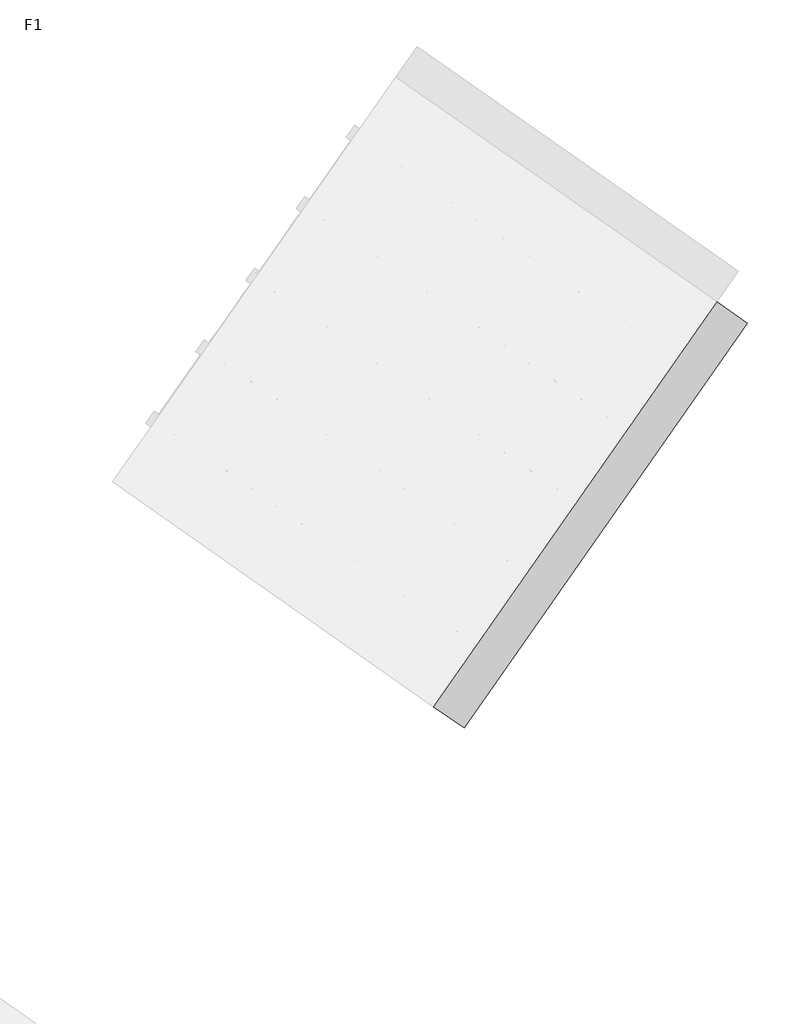
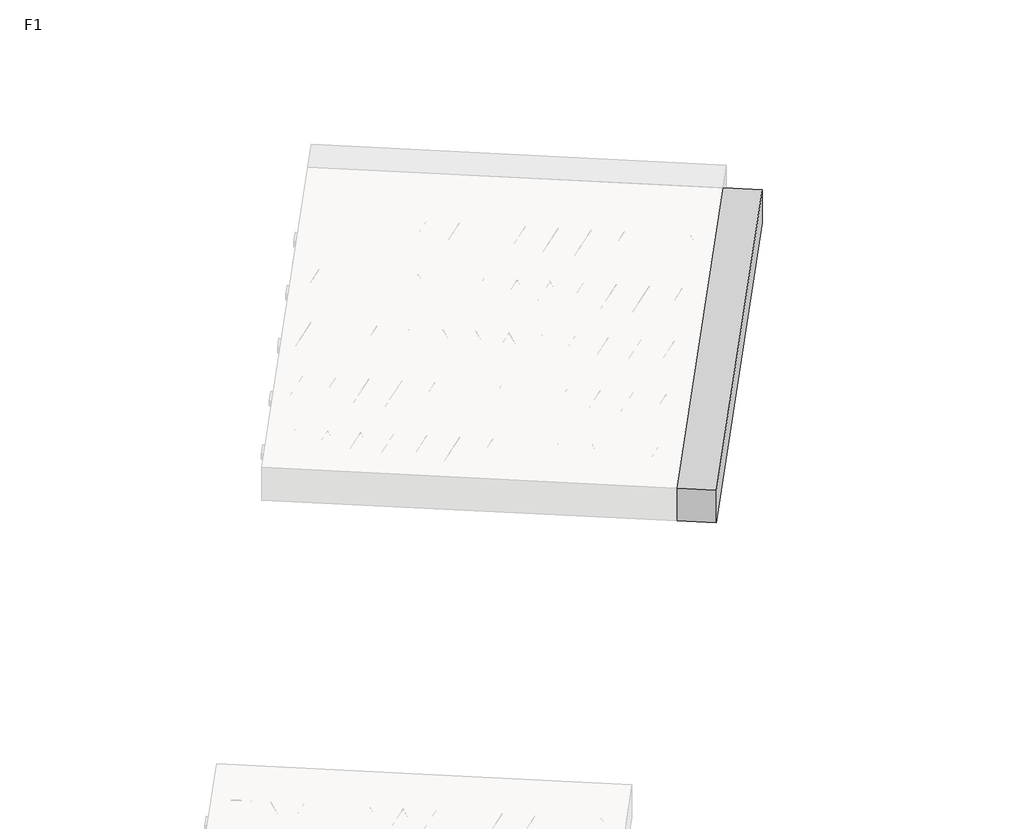
# One storey, part 26 of 30: 2 beams.
"""IFC4 building model written with IfcOpenShell, lengths in millimetres."""

from ifc_helpers import new_model, si_unit, point, frame, origin, origin_2d, place, context, project, spatial, polyline, circle_curve, trimmed, segment, composite_curve, outline, extrude, element, save

model = new_model("IFC4")

# Units and contexts
model_context = context("Model", 3, world=origin())
ifc_project = project(units=[si_unit("LENGTHUNIT", "METRE", prefix="MILLI")], contexts=[model_context])

# Site, building, storey
site = spatial("IfcSite", under=ifc_project)
building = spatial("IfcBuilding", under=site)
storey = spatial("IfcBuildingStorey", under=building, Name="F1", Elevation=99520.0)

# Beams
placement = place(None, origin())
element("IfcBeam", 1, at=placement, inside=storey, context=model_context, shape_type="SweptSolid", body=[
    extrude(outline(polyline([(11648.0677365, 6481.3669895), (11716.8969089, 6579.6652348), (14370.9495323, 4721.2775809), (14302.1203599, 4622.9793356), (11648.0677365, 6481.3669895)])), frame((0.0, 0.0, 99720.0), z_axis=(0.0, 0.0, 1.0), x_axis=(1.0, 0.0, 0.0)), (0.0, 0.0, 1.0), 50.0),
    extrude(outline(composite_curve([segment(trimmed(circle_curve(origin_2d(), 2.5), [point((-2.5, 0.0))], [point((2.5, 0.0))], False, "CARTESIAN"), True, "CONTINUOUS"), segment(trimmed(circle_curve(origin_2d(), 2.5), [point((2.5, 0.0))], [point((-2.5, 0.0))], False, "CARTESIAN"), True, "CONTINUOUS")], self_intersect=False)), frame((14296.2265453, 4656.4048192, 99745.0), z_axis=(-0.8191520442696126, 0.5735764363787226, 0.0), x_axis=(0.5735764363787226, 0.8191520442696126, 0.0)), (0.0, 0.0, 1.0), 3192.0),
    extrude(outline(composite_curve([segment(trimmed(circle_curve(origin_2d(), 2.5), [point((-2.5, 0.0))], [point((2.5, 0.0))], False, "CARTESIAN"), True, "CONTINUOUS"), segment(trimmed(circle_curve(origin_2d(), 2.5), [point((2.5, 0.0))], [point((-2.5, 0.0))], False, "CARTESIAN"), True, "CONTINUOUS")], self_intersect=False)), frame((14176.8002975, 4783.9758634, 99970.0), z_axis=(-0.8191520442696126, 0.5735764363787226, 0.0), x_axis=(0.5735764363787226, 0.8191520442696126, 0.0)), (0.0, 0.0, 1.0), 2850.0),
    extrude(outline(composite_curve([segment(trimmed(circle_curve(origin_2d(), 2.5), [point((-2.5, -1e-07))], [point((2.5, 0.0))], False, "CARTESIAN"), True, "CONTINUOUS"), segment(trimmed(circle_curve(origin_2d(), 2.5), [point((2.5, 0.0))], [point((-2.5, -1e-07))], False, "CARTESIAN"), True, "CONTINUOUS")], self_intersect=False)), frame((14217.5879491, 4711.4681571, 99745.0), z_axis=(-0.3145304735701046, 0.38933448886848654, 0.8657304643902053), x_axis=(0.7778747638402499, 0.6284193279813057, 0.0)), (0.0, 0.0, 1.0), 259.8961331),
    extrude(outline(composite_curve([segment(trimmed(circle_curve(origin_2d(), 2.5), [point((2.5000001, 0.0))], [point((-2.5, 0.0))], False, "CARTESIAN"), True, "CONTINUOUS"), segment(trimmed(circle_curve(origin_2d(), 2.5), [point((-2.5, 0.0))], [point((2.5000001, 0.0))], False, "CARTESIAN"), True, "CONTINUOUS")], self_intersect=False)), frame((14012.799938, 4854.8622662, 99745.0), z_axis=(0.47343050384693375, -0.16240172737369005, 0.8657304643902051), x_axis=(-0.3244721671091268, -0.9458952440791246, 0.0)), (0.0, 0.0, 1.0), 259.8961331),
    extrude(outline(composite_curve([segment(trimmed(circle_curve(origin_2d(), 2.5), [point((-2.5, -1e-07))], [point((2.5, 0.0))], False, "CARTESIAN"), True, "CONTINUOUS"), segment(trimmed(circle_curve(origin_2d(), 2.5), [point((2.5, 0.0))], [point((-2.5, -1e-07))], False, "CARTESIAN"), True, "CONTINUOUS")], self_intersect=False)), frame((14012.799938, 4854.8622662, 99745.0), z_axis=(-0.3145304735701046, 0.38933448886848654, 0.8657304643902053), x_axis=(0.7778747638402499, 0.6284193279813057, 0.0)), (0.0, 0.0, 1.0), 259.8961331),
    extrude(outline(composite_curve([segment(trimmed(circle_curve(origin_2d(), 2.5), [point((2.5, 0.0))], [point((-2.5000001, 0.0))], False, "CARTESIAN"), True, "CONTINUOUS"), segment(trimmed(circle_curve(origin_2d(), 2.5), [point((-2.5000001, 0.0))], [point((2.5, 0.0))], False, "CARTESIAN"), True, "CONTINUOUS")], self_intersect=False)), frame((13808.0119269, 4998.2563752, 99745.0), z_axis=(0.47343050384693375, -0.16240172737369005, 0.8657304643902051), x_axis=(-0.3244721671091268, -0.9458952440791246, 0.0)), (0.0, 0.0, 1.0), 259.8961331),
    extrude(outline(composite_curve([segment(trimmed(circle_curve(origin_2d(), 2.5), [point((-2.5, 0.0))], [point((2.5000001, 0.0))], False, "CARTESIAN"), True, "CONTINUOUS"), segment(trimmed(circle_curve(origin_2d(), 2.5), [point((2.5000001, 0.0))], [point((-2.5, 0.0))], False, "CARTESIAN"), True, "CONTINUOUS")], self_intersect=False)), frame((13808.0119269, 4998.2563752, 99745.0), z_axis=(-0.3145304735701046, 0.38933448886848654, 0.8657304643902053), x_axis=(0.7778747638402499, 0.6284193279813057, 0.0)), (0.0, 0.0, 1.0), 259.8961331),
    extrude(outline(composite_curve([segment(trimmed(circle_curve(origin_2d(), 2.5), [point((2.5, 0.0))], [point((-2.5000001, 0.0))], False, "CARTESIAN"), True, "CONTINUOUS"), segment(trimmed(circle_curve(origin_2d(), 2.5), [point((-2.5000001, 0.0))], [point((2.5, 0.0))], False, "CARTESIAN"), True, "CONTINUOUS")], self_intersect=False)), frame((13603.2239159, 5141.6504843, 99745.0), z_axis=(0.47343050384693375, -0.16240172737369005, 0.8657304643902051), x_axis=(-0.3244721671091268, -0.9458952440791246, 0.0)), (0.0, 0.0, 1.0), 259.8961331),
    extrude(outline(composite_curve([segment(trimmed(circle_curve(origin_2d(), 2.5), [point((-2.5, 0.0))], [point((2.5, 1e-07))], False, "CARTESIAN"), True, "CONTINUOUS"), segment(trimmed(circle_curve(origin_2d(), 2.5), [point((2.5, 1e-07))], [point((-2.5, 0.0))], False, "CARTESIAN"), True, "CONTINUOUS")], self_intersect=False)), frame((13603.2239159, 5141.6504843, 99745.0), z_axis=(-0.3145304735701046, 0.38933448886848654, 0.8657304643902053), x_axis=(0.7778747638402499, 0.6284193279813057, 0.0)), (0.0, 0.0, 1.0), 259.8961331),
    extrude(outline(composite_curve([segment(trimmed(circle_curve(origin_2d(), 2.5), [point((2.5, 0.0))], [point((-2.5, 0.0))], False, "CARTESIAN"), True, "CONTINUOUS"), segment(trimmed(circle_curve(origin_2d(), 2.5), [point((-2.5, 0.0))], [point((2.5, 0.0))], False, "CARTESIAN"), True, "CONTINUOUS")], self_intersect=False)), frame((13398.4359048, 5285.0445934, 99745.0), z_axis=(0.47343050384693375, -0.16240172737369005, 0.8657304643902051), x_axis=(-0.3244721671091268, -0.9458952440791246, 0.0)), (0.0, 0.0, 1.0), 259.8961331),
    extrude(outline(composite_curve([segment(trimmed(circle_curve(origin_2d(), 2.5), [point((-2.5, 0.0))], [point((2.5, 1e-07))], False, "CARTESIAN"), True, "CONTINUOUS"), segment(trimmed(circle_curve(origin_2d(), 2.5), [point((2.5, 1e-07))], [point((-2.5, 0.0))], False, "CARTESIAN"), True, "CONTINUOUS")], self_intersect=False)), frame((13398.4359048, 5285.0445934, 99745.0), z_axis=(-0.3145304735701046, 0.38933448886848654, 0.8657304643902053), x_axis=(0.7778747638402499, 0.6284193279813057, 0.0)), (0.0, 0.0, 1.0), 259.8961331),
    extrude(outline(composite_curve([segment(trimmed(circle_curve(origin_2d(), 2.5), [point((2.5, 0.0))], [point((-2.5, 1e-07))], False, "CARTESIAN"), True, "CONTINUOUS"), segment(trimmed(circle_curve(origin_2d(), 2.5), [point((-2.5, 1e-07))], [point((2.5, 0.0))], False, "CARTESIAN"), True, "CONTINUOUS")], self_intersect=False)), frame((13193.6478937, 5428.4387025, 99745.0), z_axis=(0.47343050384693375, -0.16240172737369005, 0.8657304643902051), x_axis=(-0.3244721671091268, -0.9458952440791246, 0.0)), (0.0, 0.0, 1.0), 259.8961331),
    extrude(outline(composite_curve([segment(trimmed(circle_curve(origin_2d(), 2.5), [point((-2.5, 0.0))], [point((2.5000001, 0.0))], False, "CARTESIAN"), True, "CONTINUOUS"), segment(trimmed(circle_curve(origin_2d(), 2.5), [point((2.5000001, 0.0))], [point((-2.5, 0.0))], False, "CARTESIAN"), True, "CONTINUOUS")], self_intersect=False)), frame((13193.6478937, 5428.4387025, 99745.0), z_axis=(-0.3145304735701046, 0.38933448886848654, 0.8657304643902053), x_axis=(0.7778747638402499, 0.6284193279813057, 0.0)), (0.0, 0.0, 1.0), 259.8961331),
    extrude(outline(composite_curve([segment(trimmed(circle_curve(origin_2d(), 2.5), [point((2.5, 0.0))], [point((-2.5, 0.0))], False, "CARTESIAN"), True, "CONTINUOUS"), segment(trimmed(circle_curve(origin_2d(), 2.5), [point((-2.5, 0.0))], [point((2.5, 0.0))], False, "CARTESIAN"), True, "CONTINUOUS")], self_intersect=False)), frame((12988.8598827, 5571.8328116, 99745.0), z_axis=(0.47343050384693375, -0.16240172737369005, 0.8657304643902051), x_axis=(-0.3244721671091268, -0.9458952440791246, 0.0)), (0.0, 0.0, 1.0), 259.8961331),
    extrude(outline(composite_curve([segment(trimmed(circle_curve(origin_2d(), 2.5), [point((-2.5, 0.0))], [point((2.5, 0.0))], False, "CARTESIAN"), True, "CONTINUOUS"), segment(trimmed(circle_curve(origin_2d(), 2.5), [point((2.5, 0.0))], [point((-2.5, 0.0))], False, "CARTESIAN"), True, "CONTINUOUS")], self_intersect=False)), frame((12988.8598827, 5571.8328116, 99745.0), z_axis=(-0.3145304735701046, 0.38933448886848654, 0.8657304643902053), x_axis=(0.7778747638402499, 0.6284193279813057, 0.0)), (0.0, 0.0, 1.0), 259.8961331),
    extrude(outline(composite_curve([segment(trimmed(circle_curve(origin_2d(), 2.5), [point((2.5, 0.0))], [point((-2.5, 0.0))], False, "CARTESIAN"), True, "CONTINUOUS"), segment(trimmed(circle_curve(origin_2d(), 2.5), [point((-2.5, 0.0))], [point((2.5, 0.0))], False, "CARTESIAN"), True, "CONTINUOUS")], self_intersect=False)), frame((12784.0718716, 5715.2269207, 99745.0), z_axis=(0.47343050384693375, -0.16240172737369005, 0.8657304643902051), x_axis=(-0.3244721671091268, -0.9458952440791246, 0.0)), (0.0, 0.0, 1.0), 259.8961331),
    extrude(outline(composite_curve([segment(trimmed(circle_curve(origin_2d(), 2.5), [point((-2.5, 0.0))], [point((2.5, 0.0))], False, "CARTESIAN"), True, "CONTINUOUS"), segment(trimmed(circle_curve(origin_2d(), 2.5), [point((2.5, 0.0))], [point((-2.5, 0.0))], False, "CARTESIAN"), True, "CONTINUOUS")], self_intersect=False)), frame((12784.0718716, 5715.2269207, 99745.0), z_axis=(-0.3145304735701046, 0.38933448886848654, 0.8657304643902053), x_axis=(0.7778747638402499, 0.6284193279813057, 0.0)), (0.0, 0.0, 1.0), 259.8961331),
    extrude(outline(composite_curve([segment(trimmed(circle_curve(origin_2d(), 2.5), [point((2.5, 0.0))], [point((-2.5, 1e-07))], False, "CARTESIAN"), True, "CONTINUOUS"), segment(trimmed(circle_curve(origin_2d(), 2.5), [point((-2.5, 1e-07))], [point((2.5, 0.0))], False, "CARTESIAN"), True, "CONTINUOUS")], self_intersect=False)), frame((12579.2838605, 5858.6210298, 99745.0), z_axis=(0.47343050384693375, -0.16240172737369005, 0.8657304643902051), x_axis=(-0.3244721671091268, -0.9458952440791246, 0.0)), (0.0, 0.0, 1.0), 259.8961331),
    extrude(outline(composite_curve([segment(trimmed(circle_curve(origin_2d(), 2.5), [point((-2.5, 0.0))], [point((2.5000001, -1e-07))], False, "CARTESIAN"), True, "CONTINUOUS"), segment(trimmed(circle_curve(origin_2d(), 2.5), [point((2.5000001, -1e-07))], [point((-2.5, 0.0))], False, "CARTESIAN"), True, "CONTINUOUS")], self_intersect=False)), frame((12579.2838605, 5858.6210298, 99745.0), z_axis=(-0.3145304735701046, 0.38933448886848654, 0.8657304643902053), x_axis=(0.7778747638402499, 0.6284193279813057, 0.0)), (0.0, 0.0, 1.0), 259.8961331),
    extrude(outline(composite_curve([segment(trimmed(circle_curve(origin_2d(), 2.5), [point((2.5, 0.0))], [point((-2.5, 0.0))], False, "CARTESIAN"), True, "CONTINUOUS"), segment(trimmed(circle_curve(origin_2d(), 2.5), [point((-2.5, 0.0))], [point((2.5, 0.0))], False, "CARTESIAN"), True, "CONTINUOUS")], self_intersect=False)), frame((12374.4958495, 6002.0151389, 99745.0), z_axis=(0.47343050384693375, -0.16240172737369005, 0.8657304643902051), x_axis=(-0.3244721671091268, -0.9458952440791246, 0.0)), (0.0, 0.0, 1.0), 259.8961331),
    extrude(outline(composite_curve([segment(trimmed(circle_curve(origin_2d(), 2.5), [point((-2.5, 0.0))], [point((2.5, 0.0))], False, "CARTESIAN"), True, "CONTINUOUS"), segment(trimmed(circle_curve(origin_2d(), 2.5), [point((2.5, 0.0))], [point((-2.5, 0.0))], False, "CARTESIAN"), True, "CONTINUOUS")], self_intersect=False)), frame((12374.4958495, 6002.0151389, 99745.0), z_axis=(-0.3145304735701046, 0.38933448886848654, 0.8657304643902053), x_axis=(0.7778747638402499, 0.6284193279813057, 0.0)), (0.0, 0.0, 1.0), 259.8961331),
    extrude(outline(composite_curve([segment(trimmed(circle_curve(origin_2d(), 2.5), [point((2.5, 0.0))], [point((-2.5, 0.0))], False, "CARTESIAN"), True, "CONTINUOUS"), segment(trimmed(circle_curve(origin_2d(), 2.5), [point((-2.5, 0.0))], [point((2.5, 0.0))], False, "CARTESIAN"), True, "CONTINUOUS")], self_intersect=False)), frame((12169.7078384, 6145.409248, 99745.0), z_axis=(0.47343050384693375, -0.16240172737369005, 0.8657304643902051), x_axis=(-0.3244721671091268, -0.9458952440791246, 0.0)), (0.0, 0.0, 1.0), 259.8961331),
    extrude(outline(composite_curve([segment(trimmed(circle_curve(origin_2d(), 2.5), [point((-2.5, 0.0))], [point((2.5, 0.0))], False, "CARTESIAN"), True, "CONTINUOUS"), segment(trimmed(circle_curve(origin_2d(), 2.5), [point((2.5, 0.0))], [point((-2.5, 0.0))], False, "CARTESIAN"), True, "CONTINUOUS")], self_intersect=False)), frame((12169.7078384, 6145.409248, 99745.0), z_axis=(-0.3145304735701046, 0.38933448886848654, 0.8657304643902053), x_axis=(0.7778747638402499, 0.6284193279813057, 0.0)), (0.0, 0.0, 1.0), 259.8961331),
    extrude(outline(composite_curve([segment(trimmed(circle_curve(origin_2d(), 2.5), [point((2.5, 0.0))], [point((-2.5, 1e-07))], False, "CARTESIAN"), True, "CONTINUOUS"), segment(trimmed(circle_curve(origin_2d(), 2.5), [point((-2.5, 1e-07))], [point((2.5, 0.0))], False, "CARTESIAN"), True, "CONTINUOUS")], self_intersect=False)), frame((11964.9198273, 6288.8033571, 99745.0), z_axis=(0.47343050384693375, -0.16240172737369005, 0.8657304643902051), x_axis=(-0.3244721671091268, -0.9458952440791246, 0.0)), (0.0, 0.0, 1.0), 259.8961331),
    extrude(outline(composite_curve([segment(trimmed(circle_curve(origin_2d(), 2.5), [point((-2.5, 0.0))], [point((2.5000001, -1e-07))], False, "CARTESIAN"), True, "CONTINUOUS"), segment(trimmed(circle_curve(origin_2d(), 2.5), [point((2.5000001, -1e-07))], [point((-2.5, 0.0))], False, "CARTESIAN"), True, "CONTINUOUS")], self_intersect=False)), frame((11964.9198273, 6288.8033571, 99745.0), z_axis=(-0.3145304735701046, 0.38933448886848654, 0.8657304643902053), x_axis=(0.7778747638402499, 0.6284193279813057, 0.0)), (0.0, 0.0, 1.0), 259.8961331),
    extrude(outline(composite_curve([segment(trimmed(circle_curve(origin_2d(), 2.5), [point((2.5, 0.0))], [point((-2.5, 0.0))], False, "CARTESIAN"), True, "CONTINUOUS"), segment(trimmed(circle_curve(origin_2d(), 2.5), [point((-2.5, 0.0))], [point((2.5, 0.0))], False, "CARTESIAN"), True, "CONTINUOUS")], self_intersect=False)), frame((11760.1318163, 6432.1974662, 99745.0), z_axis=(0.47343050384693375, -0.16240172737369005, 0.8657304643902051), x_axis=(-0.3244721671091268, -0.9458952440791246, 0.0)), (0.0, 0.0, 1.0), 259.8961331),
    extrude(outline(composite_curve([segment(trimmed(circle_curve(origin_2d(), 2.5), [point((-2.5000001, 0.0))], [point((2.4999999, 0.0))], False, "CARTESIAN"), True, "CONTINUOUS"), segment(trimmed(circle_curve(origin_2d(), 2.5), [point((2.4999999, 0.0))], [point((-2.5000001, 0.0))], False, "CARTESIAN"), True, "CONTINUOUS")], self_intersect=False)), frame((14337.5240488, 4715.3837664, 99745.0), z_axis=(-0.8191520442696126, 0.5735764363787226, 0.0), x_axis=(0.5735764363787226, 0.8191520442696126, 0.0)), (0.0, 0.0, 1.0), 3192.0),
    extrude(outline(composite_curve([segment(trimmed(circle_curve(origin_2d(), 2.5), [point((-2.5, 0.0))], [point((2.5000001, 0.0))], False, "CARTESIAN"), True, "CONTINUOUS"), segment(trimmed(circle_curve(origin_2d(), 2.5), [point((2.5000001, 0.0))], [point((-2.5, 0.0))], False, "CARTESIAN"), True, "CONTINUOUS")], self_intersect=False)), frame((14258.8854525, 4770.4471042, 99745.0), z_axis=(-0.47343050384693375, 0.16240172737369005, 0.8657304643902051), x_axis=(0.3244721671091268, 0.9458952440791246, 0.0)), (0.0, 0.0, 1.0), 259.8961331),
    extrude(outline(composite_curve([segment(trimmed(circle_curve(origin_2d(), 2.5), [point((2.5, 0.0))], [point((-2.5, -1e-07))], False, "CARTESIAN"), True, "CONTINUOUS"), segment(trimmed(circle_curve(origin_2d(), 2.5), [point((-2.5, -1e-07))], [point((2.5, 0.0))], False, "CARTESIAN"), True, "CONTINUOUS")], self_intersect=False)), frame((14054.0974414, 4913.8412133, 99745.0), z_axis=(0.3145304735701046, -0.38933448886848654, 0.8657304643902053), x_axis=(-0.7778747638402499, -0.6284193279813057, 0.0)), (0.0, 0.0, 1.0), 259.8961331),
    extrude(outline(composite_curve([segment(trimmed(circle_curve(origin_2d(), 2.5), [point((-2.5, 0.0))], [point((2.5000001, 0.0))], False, "CARTESIAN"), True, "CONTINUOUS"), segment(trimmed(circle_curve(origin_2d(), 2.5), [point((2.5000001, 0.0))], [point((-2.5, 0.0))], False, "CARTESIAN"), True, "CONTINUOUS")], self_intersect=False)), frame((14054.0974414, 4913.8412133, 99745.0), z_axis=(-0.47343050384693375, 0.16240172737369005, 0.8657304643902051), x_axis=(0.3244721671091268, 0.9458952440791246, 0.0)), (0.0, 0.0, 1.0), 259.8961331),
    extrude(outline(composite_curve([segment(trimmed(circle_curve(origin_2d(), 2.5), [point((2.5, 0.0))], [point((-2.5, -1e-07))], False, "CARTESIAN"), True, "CONTINUOUS"), segment(trimmed(circle_curve(origin_2d(), 2.5), [point((-2.5, -1e-07))], [point((2.5, 0.0))], False, "CARTESIAN"), True, "CONTINUOUS")], self_intersect=False)), frame((13849.3094304, 5057.2353224, 99745.0), z_axis=(0.3145304735701046, -0.38933448886848654, 0.8657304643902053), x_axis=(-0.7778747638402499, -0.6284193279813057, 0.0)), (0.0, 0.0, 1.0), 259.8961331),
    extrude(outline(composite_curve([segment(trimmed(circle_curve(origin_2d(), 2.5), [point((-2.5, 1e-07))], [point((2.5, 0.0))], False, "CARTESIAN"), True, "CONTINUOUS"), segment(trimmed(circle_curve(origin_2d(), 2.5), [point((2.5, 0.0))], [point((-2.5, 1e-07))], False, "CARTESIAN"), True, "CONTINUOUS")], self_intersect=False)), frame((13849.3094304, 5057.2353224, 99745.0), z_axis=(-0.47343050384693375, 0.16240172737369005, 0.8657304643902051), x_axis=(0.3244721671091268, 0.9458952440791246, 0.0)), (0.0, 0.0, 1.0), 259.8961331),
    extrude(outline(composite_curve([segment(trimmed(circle_curve(origin_2d(), 2.5), [point((2.5, 0.0))], [point((-2.5, 0.0))], False, "CARTESIAN"), True, "CONTINUOUS"), segment(trimmed(circle_curve(origin_2d(), 2.5), [point((-2.5, 0.0))], [point((2.5, 0.0))], False, "CARTESIAN"), True, "CONTINUOUS")], self_intersect=False)), frame((13644.5214193, 5200.6294315, 99745.0), z_axis=(0.3145304735701046, -0.38933448886848654, 0.8657304643902053), x_axis=(-0.7778747638402499, -0.6284193279813057, 0.0)), (0.0, 0.0, 1.0), 259.8961331),
    extrude(outline(composite_curve([segment(trimmed(circle_curve(origin_2d(), 2.5), [point((-2.5, 0.0))], [point((2.5, 0.0))], False, "CARTESIAN"), True, "CONTINUOUS"), segment(trimmed(circle_curve(origin_2d(), 2.5), [point((2.5, 0.0))], [point((-2.5, 0.0))], False, "CARTESIAN"), True, "CONTINUOUS")], self_intersect=False)), frame((13644.5214193, 5200.6294315, 99745.0), z_axis=(-0.47343050384693375, 0.16240172737369005, 0.8657304643902051), x_axis=(0.3244721671091268, 0.9458952440791246, 0.0)), (0.0, 0.0, 1.0), 259.8961331),
    extrude(outline(composite_curve([segment(trimmed(circle_curve(origin_2d(), 2.5), [point((2.5, 0.0))], [point((-2.5, 0.0))], False, "CARTESIAN"), True, "CONTINUOUS"), segment(trimmed(circle_curve(origin_2d(), 2.5), [point((-2.5, 0.0))], [point((2.5, 0.0))], False, "CARTESIAN"), True, "CONTINUOUS")], self_intersect=False)), frame((13439.7334082, 5344.0235406, 99745.0), z_axis=(0.3145304735701046, -0.38933448886848654, 0.8657304643902053), x_axis=(-0.7778747638402499, -0.6284193279813057, 0.0)), (0.0, 0.0, 1.0), 259.8961331),
    extrude(outline(composite_curve([segment(trimmed(circle_curve(origin_2d(), 2.5), [point((-2.5, 0.0))], [point((2.5, -1e-07))], False, "CARTESIAN"), True, "CONTINUOUS"), segment(trimmed(circle_curve(origin_2d(), 2.5), [point((2.5, -1e-07))], [point((-2.5, 0.0))], False, "CARTESIAN"), True, "CONTINUOUS")], self_intersect=False)), frame((13439.7334082, 5344.0235406, 99745.0), z_axis=(-0.47343050384693375, 0.16240172737369005, 0.8657304643902051), x_axis=(0.3244721671091268, 0.9458952440791246, 0.0)), (0.0, 0.0, 1.0), 259.8961331),
    extrude(outline(composite_curve([segment(trimmed(circle_curve(origin_2d(), 2.5), [point((2.5, 0.0))], [point((-2.5, 0.0))], False, "CARTESIAN"), True, "CONTINUOUS"), segment(trimmed(circle_curve(origin_2d(), 2.5), [point((-2.5, 0.0))], [point((2.5, 0.0))], False, "CARTESIAN"), True, "CONTINUOUS")], self_intersect=False)), frame((13234.9453972, 5487.4176497, 99745.0), z_axis=(0.3145304735701046, -0.38933448886848654, 0.8657304643902053), x_axis=(-0.7778747638402499, -0.6284193279813057, 0.0)), (0.0, 0.0, 1.0), 259.8961331),
    extrude(outline(composite_curve([segment(trimmed(circle_curve(origin_2d(), 2.5), [point((-2.5, 1e-07))], [point((2.5, 0.0))], False, "CARTESIAN"), True, "CONTINUOUS"), segment(trimmed(circle_curve(origin_2d(), 2.5), [point((2.5, 0.0))], [point((-2.5, 1e-07))], False, "CARTESIAN"), True, "CONTINUOUS")], self_intersect=False)), frame((13234.9453972, 5487.4176497, 99745.0), z_axis=(-0.47343050384693375, 0.16240172737369005, 0.8657304643902051), x_axis=(0.3244721671091268, 0.9458952440791246, 0.0)), (0.0, 0.0, 1.0), 259.8961331),
    extrude(outline(composite_curve([segment(trimmed(circle_curve(origin_2d(), 2.5), [point((2.5, 0.0))], [point((-2.5, 0.0))], False, "CARTESIAN"), True, "CONTINUOUS"), segment(trimmed(circle_curve(origin_2d(), 2.5), [point((-2.5, 0.0))], [point((2.5, 0.0))], False, "CARTESIAN"), True, "CONTINUOUS")], self_intersect=False)), frame((13030.1573861, 5630.8117588, 99745.0), z_axis=(0.3145304735701046, -0.38933448886848654, 0.8657304643902053), x_axis=(-0.7778747638402499, -0.6284193279813057, 0.0)), (0.0, 0.0, 1.0), 259.8961331),
    extrude(outline(composite_curve([segment(trimmed(circle_curve(origin_2d(), 2.5), [point((-2.5, 0.0))], [point((2.5, 0.0))], False, "CARTESIAN"), True, "CONTINUOUS"), segment(trimmed(circle_curve(origin_2d(), 2.5), [point((2.5, 0.0))], [point((-2.5, 0.0))], False, "CARTESIAN"), True, "CONTINUOUS")], self_intersect=False)), frame((13030.1573861, 5630.8117588, 99745.0), z_axis=(-0.47343050384693375, 0.16240172737369005, 0.8657304643902051), x_axis=(0.3244721671091268, 0.9458952440791246, 0.0)), (0.0, 0.0, 1.0), 259.8961331),
    extrude(outline(composite_curve([segment(trimmed(circle_curve(origin_2d(), 2.5), [point((2.5, 0.0))], [point((-2.5, 0.0))], False, "CARTESIAN"), True, "CONTINUOUS"), segment(trimmed(circle_curve(origin_2d(), 2.5), [point((-2.5, 0.0))], [point((2.5, 0.0))], False, "CARTESIAN"), True, "CONTINUOUS")], self_intersect=False)), frame((12825.369375, 5774.2058679, 99745.0), z_axis=(0.3145304735701046, -0.38933448886848654, 0.8657304643902053), x_axis=(-0.7778747638402499, -0.6284193279813057, 0.0)), (0.0, 0.0, 1.0), 259.8961331),
    extrude(outline(composite_curve([segment(trimmed(circle_curve(origin_2d(), 2.5), [point((-2.5, 0.0))], [point((2.5, 0.0))], False, "CARTESIAN"), True, "CONTINUOUS"), segment(trimmed(circle_curve(origin_2d(), 2.5), [point((2.5, 0.0))], [point((-2.5, 0.0))], False, "CARTESIAN"), True, "CONTINUOUS")], self_intersect=False)), frame((12825.369375, 5774.2058679, 99745.0), z_axis=(-0.47343050384693375, 0.16240172737369005, 0.8657304643902051), x_axis=(0.3244721671091268, 0.9458952440791246, 0.0)), (0.0, 0.0, 1.0), 259.8961331),
    extrude(outline(composite_curve([segment(trimmed(circle_curve(origin_2d(), 2.5), [point((2.5, 0.0))], [point((-2.5, 0.0))], False, "CARTESIAN"), True, "CONTINUOUS"), segment(trimmed(circle_curve(origin_2d(), 2.5), [point((-2.5, 0.0))], [point((2.5, 0.0))], False, "CARTESIAN"), True, "CONTINUOUS")], self_intersect=False)), frame((12620.581364, 5917.599977, 99745.0), z_axis=(0.3145304735701046, -0.38933448886848654, 0.8657304643902053), x_axis=(-0.7778747638402499, -0.6284193279813057, 0.0)), (0.0, 0.0, 1.0), 259.8961331),
    extrude(outline(composite_curve([segment(trimmed(circle_curve(origin_2d(), 2.5), [point((-2.5, 1e-07))], [point((2.5, 0.0))], False, "CARTESIAN"), True, "CONTINUOUS"), segment(trimmed(circle_curve(origin_2d(), 2.5), [point((2.5, 0.0))], [point((-2.5, 1e-07))], False, "CARTESIAN"), True, "CONTINUOUS")], self_intersect=False)), frame((12620.581364, 5917.599977, 99745.0), z_axis=(-0.47343050384693375, 0.16240172737369005, 0.8657304643902051), x_axis=(0.3244721671091268, 0.9458952440791246, 0.0)), (0.0, 0.0, 1.0), 259.8961331),
    extrude(outline(composite_curve([segment(trimmed(circle_curve(origin_2d(), 2.5), [point((2.5, 0.0))], [point((-2.5, 0.0))], False, "CARTESIAN"), True, "CONTINUOUS"), segment(trimmed(circle_curve(origin_2d(), 2.5), [point((-2.5, 0.0))], [point((2.5, 0.0))], False, "CARTESIAN"), True, "CONTINUOUS")], self_intersect=False)), frame((12415.7933529, 6060.9940861, 99745.0), z_axis=(0.3145304735701046, -0.38933448886848654, 0.8657304643902053), x_axis=(-0.7778747638402499, -0.6284193279813057, 0.0)), (0.0, 0.0, 1.0), 259.8961331),
    extrude(outline(composite_curve([segment(trimmed(circle_curve(origin_2d(), 2.5), [point((-2.5, 0.0))], [point((2.5, 0.0))], False, "CARTESIAN"), True, "CONTINUOUS"), segment(trimmed(circle_curve(origin_2d(), 2.5), [point((2.5, 0.0))], [point((-2.5, 0.0))], False, "CARTESIAN"), True, "CONTINUOUS")], self_intersect=False)), frame((12415.7933529, 6060.9940861, 99745.0), z_axis=(-0.47343050384693375, 0.16240172737369005, 0.8657304643902051), x_axis=(0.3244721671091268, 0.9458952440791246, 0.0)), (0.0, 0.0, 1.0), 259.8961331),
    extrude(outline(composite_curve([segment(trimmed(circle_curve(origin_2d(), 2.5), [point((2.5, 0.0))], [point((-2.5, 0.0))], False, "CARTESIAN"), True, "CONTINUOUS"), segment(trimmed(circle_curve(origin_2d(), 2.5), [point((-2.5, 0.0))], [point((2.5, 0.0))], False, "CARTESIAN"), True, "CONTINUOUS")], self_intersect=False)), frame((12211.0053418, 6204.3881952, 99745.0), z_axis=(0.3145304735701046, -0.38933448886848654, 0.8657304643902053), x_axis=(-0.7778747638402499, -0.6284193279813057, 0.0)), (0.0, 0.0, 1.0), 259.8961331),
    extrude(outline(composite_curve([segment(trimmed(circle_curve(origin_2d(), 2.5), [point((-2.5, 0.0))], [point((2.5, 0.0))], False, "CARTESIAN"), True, "CONTINUOUS"), segment(trimmed(circle_curve(origin_2d(), 2.5), [point((2.5, 0.0))], [point((-2.5, 0.0))], False, "CARTESIAN"), True, "CONTINUOUS")], self_intersect=False)), frame((12211.0053418, 6204.3881952, 99745.0), z_axis=(-0.47343050384693375, 0.16240172737369005, 0.8657304643902051), x_axis=(0.3244721671091268, 0.9458952440791246, 0.0)), (0.0, 0.0, 1.0), 259.8961331),
    extrude(outline(composite_curve([segment(trimmed(circle_curve(origin_2d(), 2.5), [point((2.5, 0.0))], [point((-2.5, 0.0))], False, "CARTESIAN"), True, "CONTINUOUS"), segment(trimmed(circle_curve(origin_2d(), 2.5), [point((-2.5, 0.0))], [point((2.5, 0.0))], False, "CARTESIAN"), True, "CONTINUOUS")], self_intersect=False)), frame((12006.2173308, 6347.7823043, 99745.0), z_axis=(0.3145304735701046, -0.38933448886848654, 0.8657304643902053), x_axis=(-0.7778747638402499, -0.6284193279813057, 0.0)), (0.0, 0.0, 1.0), 259.8961331),
    extrude(outline(composite_curve([segment(trimmed(circle_curve(origin_2d(), 2.5), [point((-2.5, 1e-07))], [point((2.5, 0.0))], False, "CARTESIAN"), True, "CONTINUOUS"), segment(trimmed(circle_curve(origin_2d(), 2.5), [point((2.5, 0.0))], [point((-2.5, 1e-07))], False, "CARTESIAN"), True, "CONTINUOUS")], self_intersect=False)), frame((12006.2173308, 6347.7823043, 99745.0), z_axis=(-0.47343050384693375, 0.16240172737369005, 0.8657304643902051), x_axis=(0.3244721671091268, 0.9458952440791246, 0.0)), (0.0, 0.0, 1.0), 259.8961331),
    extrude(outline(composite_curve([segment(trimmed(circle_curve(origin_2d(), 2.5), [point((2.5, 0.0))], [point((-2.5, 0.0))], False, "CARTESIAN"), True, "CONTINUOUS"), segment(trimmed(circle_curve(origin_2d(), 2.5), [point((-2.5, 0.0))], [point((2.5, 0.0))], False, "CARTESIAN"), True, "CONTINUOUS")], self_intersect=False)), frame((11801.4293197, 6491.1764134, 99745.0), z_axis=(0.3145304735701046, -0.38933448886848654, 0.8657304643902053), x_axis=(-0.7778747638402499, -0.6284193279813057, 0.0)), (0.0, 0.0, 1.0), 259.8961331),
])
element("IfcBeam", 2, at=placement, inside=storey, context=model_context, shape_type="SweptSolid", body=[
    extrude(outline(polyline([(15020.5777759, 5736.2152019), (15266.3233892, 5564.142271), (12994.9607012, 2320.3001757), (12749.2150879, 2492.3731066), (15020.5777759, 5736.2152019)])), frame((0.0, 0.0, 99720.0), z_axis=(0.0, 0.0, 1.0), x_axis=(1.0, 0.0, 0.0)), (0.0, 0.0, 1.0), 300.0),
])

save(model, "model.ifc")
